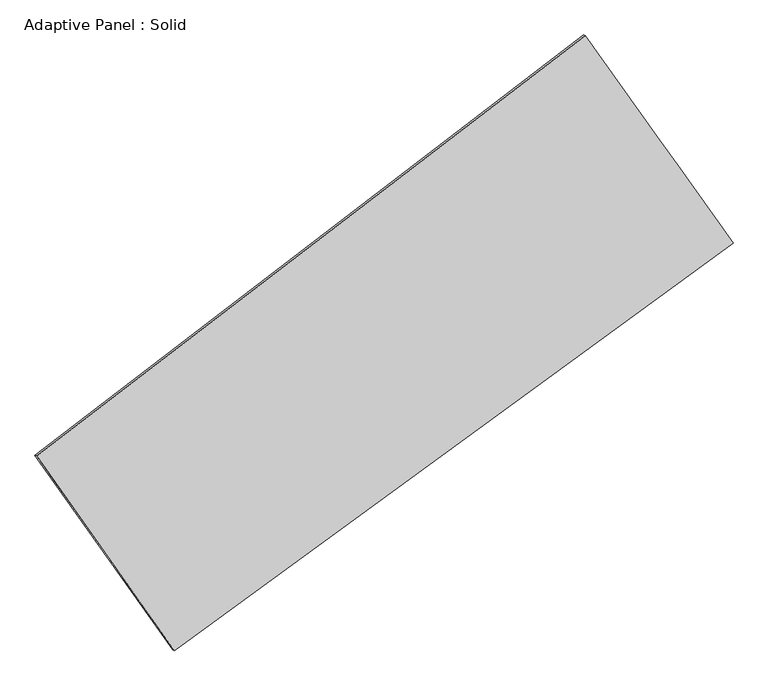
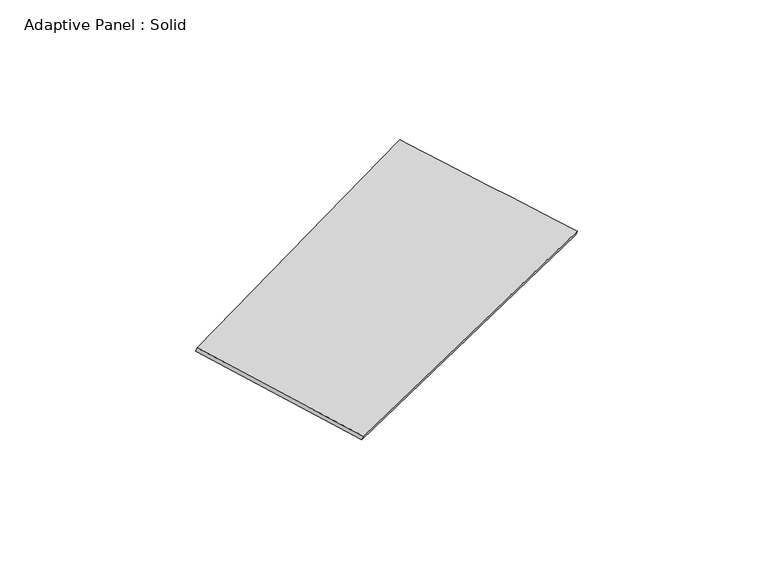
"""IFC4 building model written with IfcOpenShell, lengths in millimetres: plate geometry, Adaptive Panel : Solid."""

from ifc_helpers import new_model, si_unit, frame, origin, place, context, project, spatial, source, transform, mapped, element, save
from ifc_brep_helpers import plane_surface, spline_surface, advanced_brep


def adaptive_panel_solid_c77cbf02(model_context):
    return source(origin(), model_context, "Body", "AdvancedBrep", [
        advanced_brep(
        [(1052.617824, 2509.7545733, 687.1834239), (-3552.1489038, -1021.2548337, 1654.1789614), (-3537.482548, -1027.6349272, 1701.5518694), (1067.2841798, 2503.3744798, 734.5563319), (-2396.1381926, -2655.894739, 1058.6751114), (-2381.4718368, -2662.2748324, 1106.0480194), (2292.3786943, 767.1464265, 85.0850235), (2307.0450501, 760.766333, 132.4579316)],
        [
            (0, 1),
            (1, 2),
            (2, 3),
            (3, 0),
            (1, 4),
            (4, 5),
            (5, 2),
            (4, 6),
            (6, 7),
            (7, 5),
            (6, 0),
            (3, 7),
        ],
        [
            plane_surface(frame((-1249.7655399, 744.2498698, 1170.6811927), z_axis=(-0.5477190432948539, 0.7898467918117364, 0.2759454567063526), x_axis=(-0.782754828920771, -0.6002290295391464, 0.16437758332482347))),
            plane_surface(frame((-2974.1435482, -1838.5747863, 1356.4270364), z_axis=(-0.7778633669896352, -0.6080029862880907, 0.15893694020054625), x_axis=(0.5534362453257831, -0.782578364408482, -0.2850954680794574))),
            plane_surface(frame((-51.8797492, -944.3741562, 571.8800675), z_axis=(0.5298785587506234, -0.8031966965095605, -0.272220094211451), x_axis=(0.7965277624366879, 0.5815372720326906, -0.16540231227035426))),
            plane_surface(frame((1672.4982591, 1638.4504999, 386.1342237), z_axis=(0.7777259352594263, 0.6081967050884866, -0.15886830251613904), x_axis=(-0.5580087312341435, 0.7843371930464681, 0.2710007813096653))),
            spline_surface(1, 1, [[(-3537.482548, -1027.6349272, 1701.5518694), (1067.2841798, 2503.3744798, 734.5563319)], [(-2381.4718368, -2662.2748324, 1106.0480194), (2307.0450501, 760.766333, 132.4579316)]], [2, 2], [2, 2], [0.0, 1.0], [0.0, 1.0]),
            spline_surface(1, 1, [[(2292.3786943, 767.1464265, 85.0850235), (1052.617824, 2509.7545733, 687.1834239)], [(-2396.1381926, -2655.894739, 1058.6751114), (-3552.1489038, -1021.2548337, 1654.1789614)]], [2, 2], [2, 2], [0.0, 1.0], [0.0, 1.0]),
        ],
        [
            (0, [[1, 2, 3, 4]]),
            (1, [[5, 6, 7, -2]]),
            (2, [[8, 9, 10, -6]]),
            (3, [[11, -4, 12, -9]]),
            (4, [[-3, -7, -10, -12]]),
            (5, [[-11, -8, -5, -1]]),
        ],
    ),
    ])


if __name__ == "__main__":
    model = new_model("IFC4")
    model_context = context("Model", 3, world=origin())
    ifc_project = project(units=[si_unit("LENGTHUNIT", "METRE", prefix="MILLI")], contexts=[model_context])
    site = spatial("IfcSite", under=ifc_project)
    building = spatial("IfcBuilding", under=site)
    placement = place(None, origin())
    adaptive_panel_solid_shape = adaptive_panel_solid_c77cbf02(model_context)
    element("IfcPlate", 1, ObjectType="Adaptive Panel : Solid", at=placement, inside=building, context=model_context, shape_type="MappedRepresentation", body=[
        mapped(adaptive_panel_solid_shape, transform((0.0, 0.0, 0.0), x_axis=(1.0, 0.0, 0.0), y_axis=(0.0, 1.0, 0.0), z_axis=(0.0, 0.0, 1.0))),
    ])
    save(model, "model.ifc")
